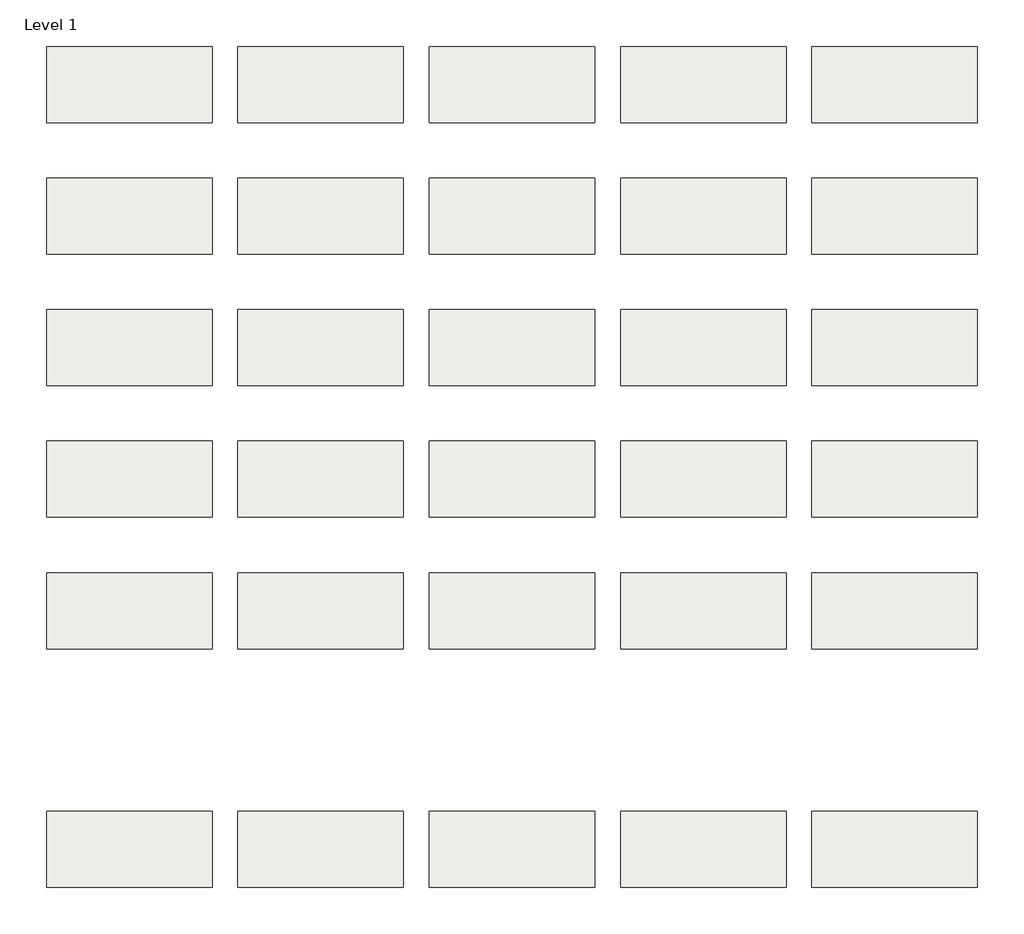
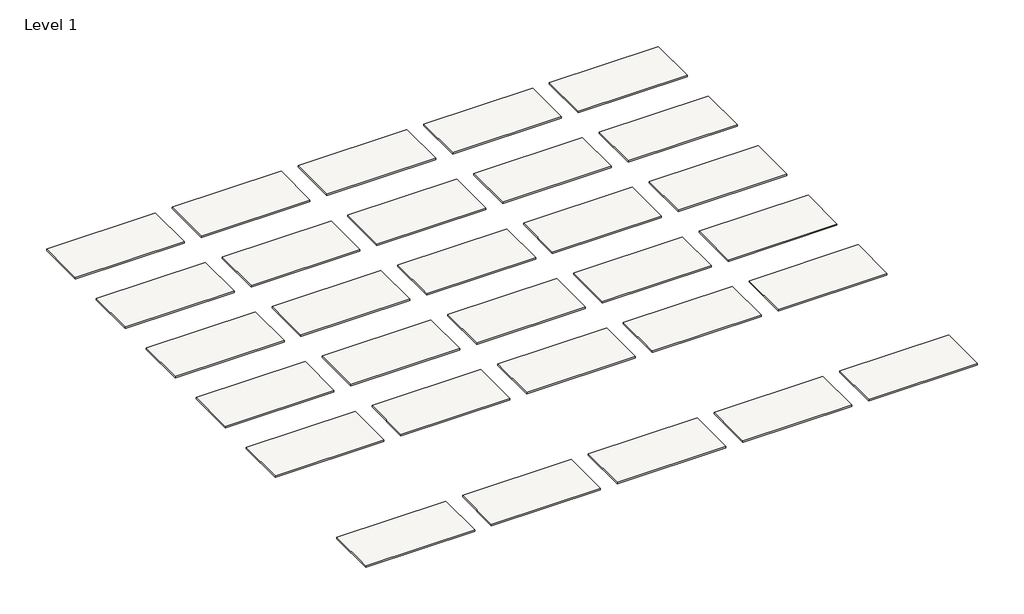
# One storey: 30 roofs.
"""IFC4 building model written with IfcOpenShell, lengths in millimetres."""

from ifc_helpers import new_model, si_unit, origin, origin_with_axes, place, context, project, spatial, polyline, outline, extrude, element, save

model = new_model("IFC4")

# Units and contexts
model_context = context("Model", 3, world=origin())
ifc_project = project(units=[si_unit("LENGTHUNIT", "METRE", prefix="MILLI")], contexts=[model_context])

# Site, building, storey
site = spatial("IfcSite", under=ifc_project)
building = spatial("IfcBuilding", under=site)
storey = spatial("IfcBuildingStorey", under=building, Name="Level 1", Elevation=0.0)

# Roofs
placement = place(None, origin())
element("IfcRoof", 1, at=placement, inside=storey, context=model_context, shape_type="SweptSolid", body=[
    extrude(outline(polyline([(-9725.8471173, -1370.5264682), (-6627.0471173, -1370.5264682), (-6627.0471173, -2792.9264682), (-9725.8471173, -2792.9264682), (-9725.8471173, -1370.5264682)])), origin_with_axes(), (0.0, 0.0, 1.0), 44.45),
])
element("IfcRoof", 2, at=placement, inside=storey, context=model_context, shape_type="SweptSolid", body=[
    extrude(outline(polyline([(-6144.4471173, -1370.5264682), (-3045.6471173, -1370.5264682), (-3045.6471173, -2792.9264682), (-6144.4471173, -2792.9264682), (-6144.4471173, -1370.5264682)])), origin_with_axes(), (0.0, 0.0, 1.0), 44.45),
])
element("IfcRoof", 3, at=placement, inside=storey, context=model_context, shape_type="SweptSolid", body=[
    extrude(outline(polyline([(-2563.0471173, -1370.5264682), (535.7528827, -1370.5264682), (535.7528827, -2792.9264682), (-2563.0471173, -2792.9264682), (-2563.0471173, -1370.5264682)])), origin_with_axes(), (0.0, 0.0, 1.0), 44.45),
])
element("IfcRoof", 4, at=placement, inside=storey, context=model_context, shape_type="SweptSolid", body=[
    extrude(outline(polyline([(1018.3528827, -1370.5264682), (4117.1528827, -1370.5264682), (4117.1528827, -2792.9264682), (1018.3528827, -2792.9264682), (1018.3528827, -1370.5264682)])), origin_with_axes(), (0.0, 0.0, 1.0), 44.45),
])
element("IfcRoof", 5, at=placement, inside=storey, context=model_context, shape_type="SweptSolid", body=[
    extrude(outline(polyline([(4599.7528827, -1370.5264682), (7698.5528827, -1370.5264682), (7698.5528827, -2792.9264682), (4599.7528827, -2792.9264682), (4599.7528827, -1370.5264682)])), origin_with_axes(), (0.0, 0.0, 1.0), 44.45),
])
element("IfcRoof", 6, at=placement, inside=storey, context=model_context, shape_type="SweptSolid", body=[
    extrude(outline(polyline([(-9725.8471173, 1093.2735318), (-6627.0471173, 1093.2735318), (-6627.0471173, -329.1264682), (-9725.8471173, -329.1264682), (-9725.8471173, 1093.2735318)])), origin_with_axes(), (0.0, 0.0, 1.0), 44.45),
])
element("IfcRoof", 7, at=placement, inside=storey, context=model_context, shape_type="SweptSolid", body=[
    extrude(outline(polyline([(-6144.4471173, 1093.2735318), (-3045.6471173, 1093.2735318), (-3045.6471173, -329.1264682), (-6144.4471173, -329.1264682), (-6144.4471173, 1093.2735318)])), origin_with_axes(), (0.0, 0.0, 1.0), 44.45),
])
element("IfcRoof", 8, at=placement, inside=storey, context=model_context, shape_type="SweptSolid", body=[
    extrude(outline(polyline([(-2563.0471173, 1093.2735318), (535.7528827, 1093.2735318), (535.7528827, -329.1264682), (-2563.0471173, -329.1264682), (-2563.0471173, 1093.2735318)])), origin_with_axes(), (0.0, 0.0, 1.0), 44.45),
])
element("IfcRoof", 9, at=placement, inside=storey, context=model_context, shape_type="SweptSolid", body=[
    extrude(outline(polyline([(1018.3528827, 1093.2735318), (4117.1528827, 1093.2735318), (4117.1528827, -329.1264682), (1018.3528827, -329.1264682), (1018.3528827, 1093.2735318)])), origin_with_axes(), (0.0, 0.0, 1.0), 44.45),
])
element("IfcRoof", 10, at=placement, inside=storey, context=model_context, shape_type="SweptSolid", body=[
    extrude(outline(polyline([(4599.7528827, 1093.2735318), (7698.5528827, 1093.2735318), (7698.5528827, -329.1264682), (4599.7528827, -329.1264682), (4599.7528827, 1093.2735318)])), origin_with_axes(), (0.0, 0.0, 1.0), 44.45),
])
element("IfcRoof", 11, at=placement, inside=storey, context=model_context, shape_type="SweptSolid", body=[
    extrude(outline(polyline([(-9725.8471173, 3557.0735318), (-6627.0471173, 3557.0735318), (-6627.0471173, 2134.6735318), (-9725.8471173, 2134.6735318), (-9725.8471173, 3557.0735318)])), origin_with_axes(), (0.0, 0.0, 1.0), 44.45),
])
element("IfcRoof", 12, at=placement, inside=storey, context=model_context, shape_type="SweptSolid", body=[
    extrude(outline(polyline([(-6144.4471173, 3557.0735318), (-3045.6471173, 3557.0735318), (-3045.6471173, 2134.6735318), (-6144.4471173, 2134.6735318), (-6144.4471173, 3557.0735318)])), origin_with_axes(), (0.0, 0.0, 1.0), 44.45),
])
element("IfcRoof", 13, at=placement, inside=storey, context=model_context, shape_type="SweptSolid", body=[
    extrude(outline(polyline([(-2563.0471173, 3557.0735318), (535.7528827, 3557.0735318), (535.7528827, 2134.6735318), (-2563.0471173, 2134.6735318), (-2563.0471173, 3557.0735318)])), origin_with_axes(), (0.0, 0.0, 1.0), 44.45),
])
element("IfcRoof", 14, at=placement, inside=storey, context=model_context, shape_type="SweptSolid", body=[
    extrude(outline(polyline([(1018.3528827, 3557.0735318), (4117.1528827, 3557.0735318), (4117.1528827, 2134.6735318), (1018.3528827, 2134.6735318), (1018.3528827, 3557.0735318)])), origin_with_axes(), (0.0, 0.0, 1.0), 44.45),
])
element("IfcRoof", 15, at=placement, inside=storey, context=model_context, shape_type="SweptSolid", body=[
    extrude(outline(polyline([(4599.7528827, 3557.0735318), (7698.5528827, 3557.0735318), (7698.5528827, 2134.6735318), (4599.7528827, 2134.6735318), (4599.7528827, 3557.0735318)])), origin_with_axes(), (0.0, 0.0, 1.0), 44.45),
])
element("IfcRoof", 16, at=placement, inside=storey, context=model_context, shape_type="SweptSolid", body=[
    extrude(outline(polyline([(-9725.8471173, 6020.8735318), (-6627.0471173, 6020.8735318), (-6627.0471173, 4598.4735318), (-9725.8471173, 4598.4735318), (-9725.8471173, 6020.8735318)])), origin_with_axes(), (0.0, 0.0, 1.0), 44.45),
])
element("IfcRoof", 17, at=placement, inside=storey, context=model_context, shape_type="SweptSolid", body=[
    extrude(outline(polyline([(-6144.4471173, 6020.8735318), (-3045.6471173, 6020.8735318), (-3045.6471173, 4598.4735318), (-6144.4471173, 4598.4735318), (-6144.4471173, 6020.8735318)])), origin_with_axes(), (0.0, 0.0, 1.0), 44.45),
])
element("IfcRoof", 18, at=placement, inside=storey, context=model_context, shape_type="SweptSolid", body=[
    extrude(outline(polyline([(-2563.0471173, 6020.8735318), (535.7528827, 6020.8735318), (535.7528827, 4598.4735318), (-2563.0471173, 4598.4735318), (-2563.0471173, 6020.8735318)])), origin_with_axes(), (0.0, 0.0, 1.0), 44.45),
])
element("IfcRoof", 19, at=placement, inside=storey, context=model_context, shape_type="SweptSolid", body=[
    extrude(outline(polyline([(1018.3528827, 6020.8735318), (4117.1528827, 6020.8735318), (4117.1528827, 4598.4735318), (1018.3528827, 4598.4735318), (1018.3528827, 6020.8735318)])), origin_with_axes(), (0.0, 0.0, 1.0), 44.45),
])
element("IfcRoof", 20, at=placement, inside=storey, context=model_context, shape_type="SweptSolid", body=[
    extrude(outline(polyline([(4599.7528827, 6020.8735318), (7698.5528827, 6020.8735318), (7698.5528827, 4598.4735318), (4599.7528827, 4598.4735318), (4599.7528827, 6020.8735318)])), origin_with_axes(), (0.0, 0.0, 1.0), 44.45),
])
element("IfcRoof", 21, at=placement, inside=storey, context=model_context, shape_type="SweptSolid", body=[
    extrude(outline(polyline([(-9725.8471173, 8484.6735318), (-6627.0471173, 8484.6735318), (-6627.0471173, 7062.2735318), (-9725.8471173, 7062.2735318), (-9725.8471173, 8484.6735318)])), origin_with_axes(), (0.0, 0.0, 1.0), 44.45),
])
element("IfcRoof", 22, at=placement, inside=storey, context=model_context, shape_type="SweptSolid", body=[
    extrude(outline(polyline([(-6144.4471173, 8484.6735318), (-3045.6471173, 8484.6735318), (-3045.6471173, 7062.2735318), (-6144.4471173, 7062.2735318), (-6144.4471173, 8484.6735318)])), origin_with_axes(), (0.0, 0.0, 1.0), 44.45),
])
element("IfcRoof", 23, at=placement, inside=storey, context=model_context, shape_type="SweptSolid", body=[
    extrude(outline(polyline([(-2563.0471173, 8484.6735318), (535.7528827, 8484.6735318), (535.7528827, 7062.2735318), (-2563.0471173, 7062.2735318), (-2563.0471173, 8484.6735318)])), origin_with_axes(), (0.0, 0.0, 1.0), 44.45),
])
element("IfcRoof", 24, at=placement, inside=storey, context=model_context, shape_type="SweptSolid", body=[
    extrude(outline(polyline([(1018.3528827, 8484.6735318), (4117.1528827, 8484.6735318), (4117.1528827, 7062.2735318), (1018.3528827, 7062.2735318), (1018.3528827, 8484.6735318)])), origin_with_axes(), (0.0, 0.0, 1.0), 44.45),
])
element("IfcRoof", 25, at=placement, inside=storey, context=model_context, shape_type="SweptSolid", body=[
    extrude(outline(polyline([(4599.7528827, 8484.6735318), (7698.5528827, 8484.6735318), (7698.5528827, 7062.2735318), (4599.7528827, 7062.2735318), (4599.7528827, 8484.6735318)])), origin_with_axes(), (0.0, 0.0, 1.0), 44.45),
])
element("IfcRoof", 26, at=placement, inside=storey, context=model_context, shape_type="SweptSolid", body=[
    extrude(outline(polyline([(-9725.8471173, -5840.9264682), (-6627.0471173, -5840.9264682), (-6627.0471173, -7263.3264682), (-9725.8471173, -7263.3264682), (-9725.8471173, -5840.9264682)])), origin_with_axes(), (0.0, 0.0, 1.0), 44.45),
])
element("IfcRoof", 27, at=placement, inside=storey, context=model_context, shape_type="SweptSolid", body=[
    extrude(outline(polyline([(-6144.4471173, -5840.9264682), (-3045.6471173, -5840.9264682), (-3045.6471173, -7263.3264682), (-6144.4471173, -7263.3264682), (-6144.4471173, -5840.9264682)])), origin_with_axes(), (0.0, 0.0, 1.0), 44.45),
])
element("IfcRoof", 28, at=placement, inside=storey, context=model_context, shape_type="SweptSolid", body=[
    extrude(outline(polyline([(-2563.0471173, -5840.9264682), (535.7528827, -5840.9264682), (535.7528827, -7263.3264682), (-2563.0471173, -7263.3264682), (-2563.0471173, -5840.9264682)])), origin_with_axes(), (0.0, 0.0, 1.0), 44.45),
])
element("IfcRoof", 29, at=placement, inside=storey, context=model_context, shape_type="SweptSolid", body=[
    extrude(outline(polyline([(1018.3528827, -5840.9264682), (4117.1528827, -5840.9264682), (4117.1528827, -7263.3264682), (1018.3528827, -7263.3264682), (1018.3528827, -5840.9264682)])), origin_with_axes(), (0.0, 0.0, 1.0), 44.45),
])
element("IfcRoof", 30, at=placement, inside=storey, context=model_context, shape_type="SweptSolid", body=[
    extrude(outline(polyline([(4599.7528827, -5840.9264682), (7698.5528827, -5840.9264682), (7698.5528827, -7263.3264682), (4599.7528827, -7263.3264682), (4599.7528827, -5840.9264682)])), origin_with_axes(), (0.0, 0.0, 1.0), 44.45),
])

save(model, "model.ifc")
